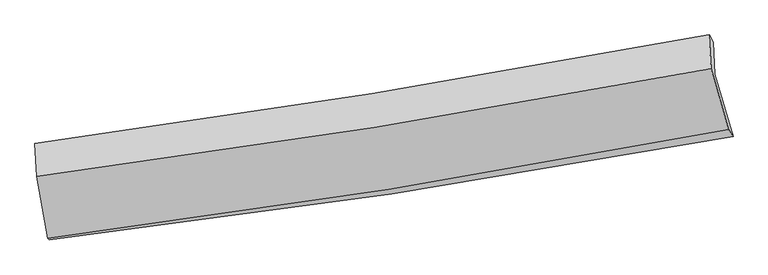
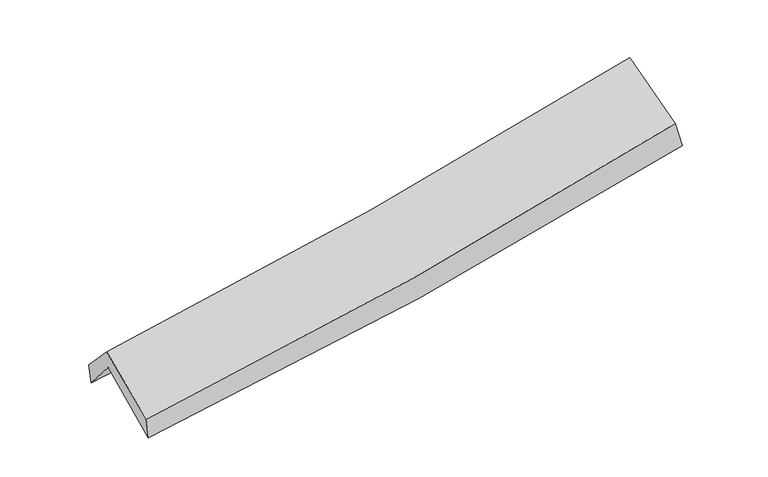
"""IFC4 building model written with IfcOpenShell, lengths in millimetres: proxy geometry."""

from ifc_helpers import new_model, si_unit, frame, origin, place, context, project, spatial, source, transform, mapped, element, save
from ifc_brep_helpers import plane_surface, spline_curve, spline_surface, advanced_brep


def generic_models_d6f33230(model_context):
    return source(origin(), model_context, "Body", "AdvancedBrep", [
        advanced_brep(
        [(-2654.4823908, -2486.2770092, 1467.1108145), (-2743.1632177, -1988.9824926, 1894.8890351), (2678.7812764, -1157.0410494, 2371.0829957), (2825.451173, -1656.9979595, 1945.4595061), (-2755.4960232, -1735.1580551, 1592.4853006), (2667.2583411, -900.9316804, 2058.2720207), (-2768.924515, -1712.0703767, 1759.5889856), (2632.5013117, -840.7439309, 2252.2140656), (-2754.1260154, -1978.0716583, 2046.8651626), (2649.1877816, -1112.3443675, 2546.6715427), (-2667.4216531, -2474.4888541, 1648.6221265), (2791.8433074, -1602.4192081, 2138.7683803)],
        [
            (0, 1),
            (1, 2, spline_curve(3, [(-2743.1632177, -1988.9824926, 1894.8890351), (-1835.508223145, -1880.115339286, 1950.745670571), (-931.005239392, -1756.569332026, 2018.224870075), (876.342166009, -1479.40721357, 2176.836078697), (1779.154013442, -1325.639406796, 2268.088199409), (2678.7812764, -1157.0410494, 2371.0829957)], [4, 2, 4], [0.0, 9.05802730628474, 18.162738641186003])),
            (2, 3),
            (3, 0, spline_curve(3, [(2825.451173, -1656.9979595, 1945.4595061), (1916.977394664, -1826.495065714, 1838.658133186), (1004.896362244, -1980.488083974, 1745.327131215), (-821.78505625, -2256.755848596, 1586.01535065), (-1736.348545193, -2379.189180047, 1519.89678898), (-2654.4823908, -2486.2770092, 1467.1108145)], [4, 2, 4], [0.0, 9.104711334901262, 18.162738641186003])),
            (1, 4),
            (4, 5, spline_curve(3, [(-2755.4960232, -1735.1580551, 1592.4853006), (-1848.17933967, -1622.462611754, 1645.05194214), (-943.778803361, -1496.80810624, 1710.019099216), (863.836120987, -1218.866571007, 1865.15318825), (1767.020373078, -1066.445618797, 1955.448271103), (2667.2583411, -900.9316804, 2058.2720207)], [4, 2, 4], [0.0, 9.01136247187478, 18.069168467188593])),
            (5, 2),
            (4, 6),
            (6, 7, spline_curve(3, [(-2768.924515, -1712.0703767, 1759.5889856), (-1865.231197002, -1590.906338195, 1819.985680298), (-964.415252878, -1457.930851336, 1891.102974489), (836.08975816, -1167.610766291, 2055.200543979), (1735.749089995, -1010.144104287, 2148.291610013), (2632.5013117, -840.7439309, 2252.2140656)], [4, 2, 4], [0.0, 9.000626739855715, 18.047641672425147])),
            (7, 5),
            (6, 8),
            (8, 9, spline_curve(3, [(-2754.1260154, -1978.0716583, 2046.8651626), (-1849.986345545, -1860.204906531, 2111.237553295), (-948.790129076, -1729.346501419, 2184.943173846), (852.344888475, -1440.904998163, 2351.448847818), (1752.253270894, -1283.187639391, 2444.345353893), (2649.1877816, -1112.3443675, 2546.6715427)], [4, 2, 4], [0.0, 8.991281936468193, 18.02890390361062])),
            (9, 7),
            (8, 10),
            (10, 11, spline_curve(3, [(-2667.4216531, -2474.4888541, 1648.6221265), (-1752.62195497, -2358.437255986, 1704.726071148), (-841.443365447, -2227.962944545, 1773.485965097), (978.349042889, -1937.42211169, 1936.737258973), (1886.925440371, -1777.206541296, 2031.359449655), (2791.8433074, -1602.4192081, 2138.7683803)], [4, 2, 4], [0.0, 9.03810238708179, 18.122786112043276])),
            (11, 9),
            (10, 0),
            (3, 11),
        ],
        [
            spline_surface(3, 3, [[(-2654.4823908, -2486.2770092, 1467.1108145), (-1736.348545212, -2379.189180072, 1519.896788871), (-821.78505626, -2256.755848481, 1586.015350703), (1004.896362255, -1980.48808409, 1745.327131162), (1916.977394573, -1826.495065797, 1838.658133244), (2825.451173, -1656.9979595, 1945.4595061)], [(-2684.04266641, -2320.512170337, 1609.703554681), (-1769.401771184, -2212.83123316, 1663.513082712), (-858.191783967, -2090.02700962, 1730.085190459), (962.044963472, -1813.461127275, 1889.163447027), (1871.036267557, -1659.54317943, 1981.801488655), (2776.561207487, -1490.345656138, 2087.334002663)], [(-2713.60294209, -2154.747331463, 1752.296294919), (-1802.454997225, -2046.473286236, 1807.129376609), (-894.598511629, -1923.298170786, 1874.155030236), (919.193564735, -1646.434170486, 2032.999762914), (1825.09514048, -1492.59129305, 2124.944843978), (2727.671241913, -1323.693352762, 2229.208499137)], [(-2743.1632177, -1988.9824926, 1894.8890351), (-1835.508223197, -1880.115339324, 1950.74567045), (-931.005239335, -1756.569331925, 2018.224869992), (876.342165952, -1479.407213671, 2176.83607878), (1779.154013465, -1325.639406683, 2268.088199389), (2678.7812764, -1157.0410494, 2371.0829957)]], [4, 4], [4, 2, 4], [0.0, 2.203989947100641], [0.0, 9.05802730628474, 18.162738641186003]),
            spline_surface(3, 3, [[(-2743.1632177, -1988.9824926, 1894.8890351), (-1835.508223197, -1880.115339324, 1950.74567045), (-931.005239335, -1756.569331925, 2018.224869992), (876.342165952, -1479.407213671, 2176.83607878), (1779.154013465, -1325.639406683, 2268.088199389), (2678.7812764, -1157.0410494, 2371.0829957)], [(-2747.274152886, -1904.374346774, 1794.08779026), (-1839.731928714, -1794.231096843, 1848.847761038), (-935.263094046, -1669.982256668, 1915.489613087), (872.173484328, -1392.560332834, 2072.941781946), (1775.10946662, -1239.241477342, 2163.874889987), (2674.940297966, -1071.671259732, 2266.812670679)], [(-2751.385088014, -1819.766200926, 1693.28654544), (-1843.955634171, -1708.34685434, 1746.949851645), (-939.52094875, -1583.395181378, 1812.754356138), (868.004802711, -1305.713451963, 1969.047485067), (1771.064919777, -1152.843548004, 2059.661580648), (2671.099319534, -986.301470068, 2162.542345721)], [(-2755.4960232, -1735.1580551, 1592.4853006), (-1848.179339688, -1622.46261186, 1645.051942233), (-943.778803461, -1496.80810612, 1710.019099233), (863.836121088, -1218.866571126, 1865.153188233), (1767.020372932, -1066.445618663, 1955.448271246), (2667.2583411, -900.9316804, 2058.2720207)]], [4, 4], [4, 2, 4], [0.0, 1.3282754886442025], [0.0, 9.01136247187478, 18.069168467188593]),
            spline_surface(3, 3, [[(-2755.4960232, -1735.1580551, 1592.4853006), (-1848.179339688, -1622.46261186, 1645.051942233), (-943.778803461, -1496.80810612, 1710.019099233), (863.836121088, -1218.866571126, 1865.153188233), (1767.020372932, -1066.445618663, 1955.448271246), (2667.2583411, -900.9316804, 2058.2720207)], [(-2759.972187112, -1727.462162292, 1648.186528957), (-1853.863292094, -1611.943853957, 1703.363188276), (-950.657619989, -1483.849021224, 1770.380390933), (854.587333477, -1201.781302838, 1928.502306856), (1756.596611925, -1047.678447252, 2019.729384198), (2655.672664635, -880.869097244, 2122.919369014)], [(-2764.448351088, -1719.766269508, 1703.887757243), (-1859.547244563, -1601.425096078, 1761.674434249), (-957.536436481, -1470.889936295, 1830.74168265), (845.338545902, -1184.696034517, 1991.851425496), (1746.172850915, -1028.911275809, 2084.010497107), (2644.086988165, -860.806514056, 2187.566717286)], [(-2768.924515, -1712.0703767, 1759.5889856), (-1865.231196969, -1590.906338175, 1819.985680292), (-964.415253009, -1457.930851398, 1891.10297435), (836.089758292, -1167.610766229, 2055.200544119), (1735.749089909, -1010.144104398, 2148.291610059), (2632.5013117, -840.7439309, 2252.2140656)]], [4, 4], [4, 2, 4], [0.0, 0.6316200817539458], [0.0, 9.000626739855715, 18.047641672425147]),
            spline_surface(3, 3, [[(-2768.924515, -1712.0703767, 1759.5889856), (-1865.231196969, -1590.906338175, 1819.985680292), (-964.415253009, -1457.930851398, 1891.10297435), (836.089758292, -1167.610766229, 2055.200544119), (1735.749089909, -1010.144104398, 2148.291610059), (2632.5013117, -840.7439309, 2252.2140656)], [(-2763.9916818, -1800.737470561, 1855.347711252), (-1860.149579857, -1680.672527642, 1917.069637914), (-959.206878359, -1548.402734758, 1989.049707511), (841.508135042, -1258.708843467, 2153.949978691), (1741.250483595, -1101.158616077, 2246.976191327), (2638.063468318, -931.277409762, 2350.366557954)], [(-2759.0588486, -1889.404564439, 1951.106436948), (-1855.067962746, -1770.438717127, 2014.153595581), (-953.998503751, -1638.874618198, 2086.996440669), (846.926511751, -1349.806920784, 2252.699413262), (1746.751877325, -1192.173127769, 2345.660772634), (2643.625624982, -1021.810888638, 2448.519050346)], [(-2754.1260154, -1978.0716583, 2046.8651626), (-1849.986345634, -1860.204906594, 2111.237553202), (-948.790129102, -1729.346501558, 2184.94317383), (852.344888501, -1440.904998022, 2351.448847835), (1752.25327101, -1283.187639448, 2444.345353902), (2649.1877816, -1112.3443675, 2546.6715427)]], [4, 4], [4, 2, 4], [0.0, 1.3184271246179506], [0.0, 8.991281936468193, 18.02890390361062]),
            spline_surface(3, 3, [[(-2754.1260154, -1978.0716583, 2046.8651626), (-1849.986345634, -1860.204906594, 2111.237553202), (-948.790129102, -1729.346501558, 2184.94317383), (852.344888501, -1440.904998022, 2351.448847835), (1752.25327101, -1283.187639448, 2444.345353902), (2649.1877816, -1112.3443675, 2546.6715427)], [(-2725.224561299, -2143.544056888, 1914.117483901), (-1817.531548782, -2026.282356427, 1975.733725897), (-913.007874582, -1895.551982563, 2047.790770939), (894.346273334, -1606.410702579, 2213.211651552), (1797.143994117, -1447.8606067, 2306.683385839), (2696.739623527, -1275.702647691, 2410.703821906)], [(-2696.323107201, -2309.016455512, 1781.369805199), (-1785.076751933, -2192.359806296, 1840.22989859), (-877.225620069, -2061.757463552, 1910.638368011), (936.34765816, -1771.91640712, 2074.974455232), (1842.034717244, -1612.533573978, 2169.021417759), (2744.291465473, -1439.060927909, 2274.736101094)], [(-2667.4216531, -2474.4888541, 1648.6221265), (-1752.621955081, -2358.437256129, 1704.726071284), (-841.44336555, -2227.962944558, 1773.485965121), (978.349042993, -1937.422111677, 1936.737258949), (1886.925440352, -1777.206541231, 2031.359449697), (2791.8433074, -1602.4192081, 2138.7683803)]], [4, 4], [4, 2, 4], [0.0, 2.1559817384374713], [0.0, 9.03810238708179, 18.122786112043276]),
            spline_surface(3, 3, [[(-2667.4216531, -2474.4888541, 1648.6221265), (-1752.621955081, -2358.437256129, 1704.726071284), (-841.44336555, -2227.962944558, 1773.485965121), (978.349042993, -1937.422111677, 1936.737258949), (1886.925440352, -1777.206541231, 2031.359449697), (2791.8433074, -1602.4192081, 2138.7683803)], [(-2663.108565693, -2478.418239148, 1588.11835585), (-1747.197485151, -2365.354564125, 1643.116310496), (-834.890595774, -2237.560579207, 1710.9957603), (987.198149427, -1951.777435823, 1872.933883005), (1896.942758426, -1793.636049418, 1967.12567753), (2803.045929267, -1620.612125232, 2074.332088885)], [(-2658.795478207, -2482.347624152, 1527.61458515), (-1741.773015142, -2372.271872076, 1581.506549659), (-828.337826037, -2247.158213832, 1648.505555524), (996.047255821, -1966.132759944, 1809.130507106), (1906.960076499, -1810.06555761, 1902.89190541), (2814.248551133, -1638.805042368, 2009.895797515)], [(-2654.4823908, -2486.2770092, 1467.1108145), (-1736.348545212, -2379.189180072, 1519.896788871), (-821.78505626, -2256.755848481, 1586.015350703), (1004.896362255, -1980.48808409, 1745.327131162), (1916.977394573, -1826.495065797, 1838.658133244), (2825.451173, -1656.9979595, 1945.4595061)]], [4, 4], [4, 2, 4], [0.0, 0.6371894926097412], [0.0, 9.094115657221137, 18.23510133825961]),
            plane_surface(frame((2707.5038652, -1211.746366, 2218.7447518), z_axis=(0.9754474758224754, 0.1866535103809396, 0.11688750563697574), x_axis=(0.21833380066987196, -0.7500578892383558, -0.6242944131388258))),
            plane_surface(frame((-2723.9356358, -2062.5080743, 1734.9269041), z_axis=(-0.9904596113827048, -0.1227464164962111, -0.06263445902185366), x_axis=(-0.07095708832720012, 0.06464457953683837, 0.9953824239721291))),
        ],
        [
            (0, [[1, 2, 3, 4]]),
            (1, [[5, 6, 7, -2]]),
            (2, [[8, 9, 10, -6]]),
            (3, [[11, 12, 13, -9]]),
            (4, [[14, 15, 16, -12]]),
            (5, [[17, -4, 18, -15]]),
            (6, [[-16, -18, -3, -7, -10, -13]]),
            (7, [[-17, -14, -11, -8, -5, -1]]),
        ],
    ),
    ])


if __name__ == "__main__":
    model = new_model("IFC4")
    model_context = context("Model", 3, world=origin())
    ifc_project = project(units=[si_unit("LENGTHUNIT", "METRE", prefix="MILLI")], contexts=[model_context])
    site = spatial("IfcSite", under=ifc_project)
    building = spatial("IfcBuilding", under=site)
    placement = place(None, origin())
    generic_models_shape = generic_models_d6f33230(model_context)
    element("IfcBuildingElementProxy", 1, Name="Generic Models", at=placement, inside=building, context=model_context, shape_type="MappedRepresentation", body=[
        mapped(generic_models_shape, transform((0.0, 0.0, 0.0), x_axis=(1.0, 0.0, 0.0), y_axis=(0.0, 1.0, 0.0), z_axis=(0.0, 0.0, 1.0))),
    ])
    save(model, "model.ifc")
